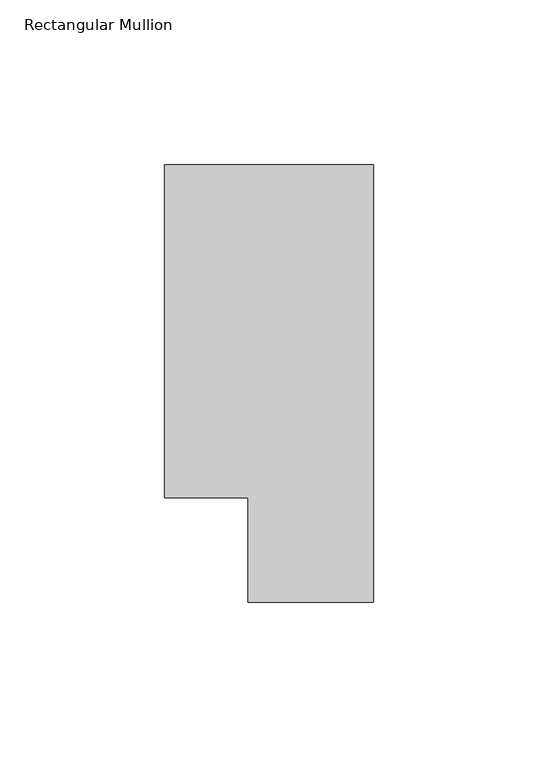
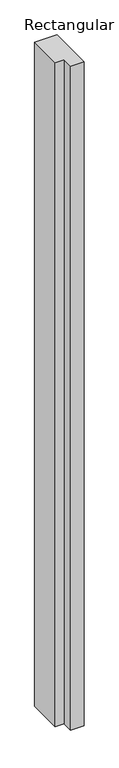
"""IFC4 building model written with IfcOpenShell, lengths in millimetres: member geometry, Rectangular Mullion."""

from ifc_helpers import new_model, si_unit, frame, origin, place, context, project, spatial, polyline, outline, extrude, source, transform, mapped, element, save


def rectangular_mullion_db419722(model_context):
    return source(origin(), model_context, "Body", "SweptSolid", [
        extrude(outline(polyline([(-6.35, 56.6539062), (-31.75, 56.6539063), (-31.75, 157.8475063), (31.75, 157.8475062), (31.75, 24.9039063), (-6.35, 24.9039063), (-6.35, 56.6539062)])), frame((0.0, 0.0, -1993.9), z_axis=(0.0, 0.0, 1.0), x_axis=(1.0, 0.0, 0.0)), (0.0, 0.0, 1.0), 1993.9),
    ])


if __name__ == "__main__":
    model = new_model("IFC4")
    model_context = context("Model", 3, world=origin())
    ifc_project = project(units=[si_unit("LENGTHUNIT", "METRE", prefix="MILLI")], contexts=[model_context])
    site = spatial("IfcSite", under=ifc_project)
    building = spatial("IfcBuilding", under=site)
    placement = place(None, origin())
    rectangular_mullion_shape = rectangular_mullion_db419722(model_context)
    element("IfcMember", 1, ObjectType="Rectangular Mullion", at=placement, inside=building, context=model_context, shape_type="MappedRepresentation", body=[
        mapped(rectangular_mullion_shape, transform((0.0, 0.0, 0.0), x_axis=(1.0, 0.0, 0.0), y_axis=(0.0, 1.0, 0.0), z_axis=(0.0, 0.0, 1.0))),
    ])
    save(model, "model.ifc")
